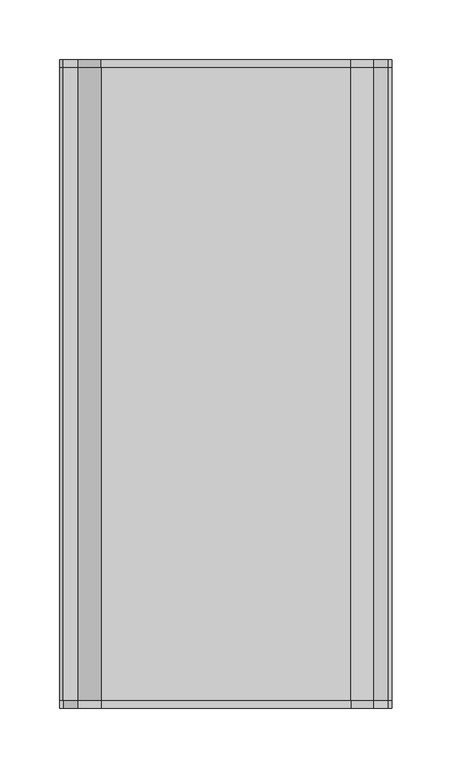
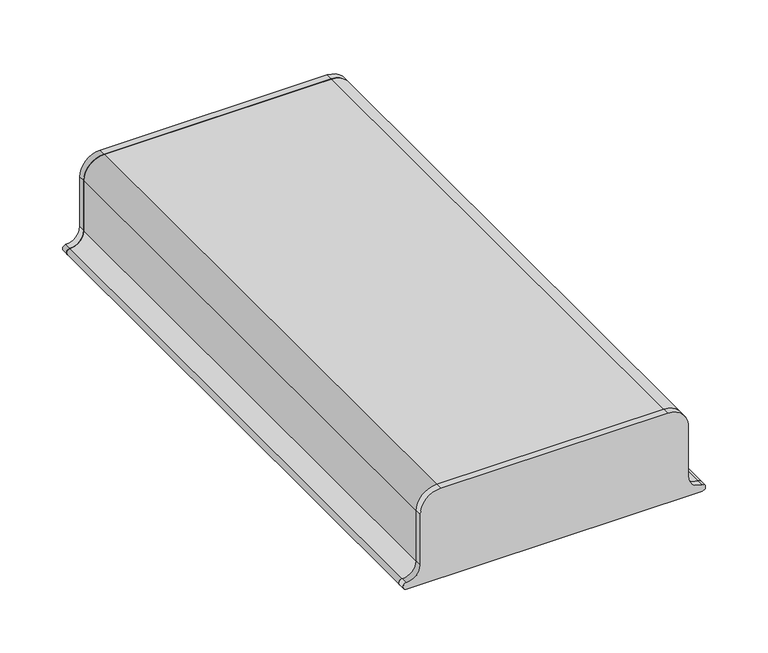
"""IFC4 building model written with IfcOpenShell, lengths in millimetres: proxy geometry."""

from ifc_helpers import new_model, si_unit, point, frame, frame_2d, origin, place, context, project, spatial, polyline, circle_curve, trimmed, segment, composite_curve, outline, extrude, source, transform, mapped, element, save


def generic_models_a04609c9(model_context):
    return source(origin(), model_context, "Body", "SweptSolid", [
        extrude(outline(composite_curve([segment(trimmed(circle_curve(frame_2d((431.1687819, 235.6397011)), 12.7), [point((418.4687819, 235.6397011))], [point((431.1687819, 222.9397011))], True, "CARTESIAN"), True, "CONTINUOUS"), segment(polyline([(431.1687819, 222.9397011), (482.3425919, 222.9397011)]), True, "CONTINUOUS"), segment(trimmed(circle_curve(frame_2d((480.3119736, 203.9982362)), 19.05), [point((482.3425919, 222.9397011))], [point((499.3619736, 203.9982362))], False, "CARTESIAN"), True, "CONTINUOUS"), segment(polyline([(499.3619736, 203.9982362), (499.3619736, -5.6602989)]), True, "CONTINUOUS"), segment(trimmed(circle_curve(frame_2d((480.3119736, -5.6602989)), 19.05), [point((499.3619736, -5.6602989))], [point((480.3119736, -24.7102989))], False, "CARTESIAN"), True, "CONTINUOUS"), segment(polyline([(480.3119736, -24.7102989), (431.1687819, -24.7102989)]), True, "CONTINUOUS"), segment(trimmed(circle_curve(frame_2d((431.1687819, -37.4102989)), 12.7), [point((431.1687819, -24.7102989))], [point((418.4687819, -37.4102989))], True, "CARTESIAN"), True, "CONTINUOUS"), segment(trimmed(circle_curve(frame_2d((415.2937819, -37.4102989)), 3.175), [point((418.4687819, -37.4102989))], [point((412.1187819, -37.4102989))], False, "CARTESIAN"), True, "CONTINUOUS"), segment(polyline([(412.1187819, -37.4102989), (412.1187819, 235.6397011)]), True, "CONTINUOUS"), segment(trimmed(circle_curve(frame_2d((415.2937819, 235.6397011)), 3.175), [point((412.1187819, 235.6397011))], [point((418.4687819, 235.6397011))], False, "CARTESIAN"), True, "CONTINUOUS")], self_intersect=False)), frame((0.0, -272.25625, 0.0), z_axis=(0.0, 1.0, 0.0), x_axis=(0.0, 0.0, 1.0)), (0.0, 0.0, 1.0), 6.35),
        extrude(outline(composite_curve([segment(trimmed(circle_curve(frame_2d((431.1687819, -37.4102989)), 12.7), [point((431.1687819, -24.7102989))], [point((418.4687819, -37.4102989))], True, "CARTESIAN"), True, "CONTINUOUS"), segment(trimmed(circle_curve(frame_2d((415.2937819, -37.4102989)), 3.175), [point((418.4687819, -37.4102989))], [point((412.1187819, -37.4102989))], False, "CARTESIAN"), True, "CONTINUOUS"), segment(polyline([(412.1187819, -37.4102989), (412.1187819, 235.6397011)]), True, "CONTINUOUS"), segment(trimmed(circle_curve(frame_2d((415.2937819, 235.6397011)), 3.175), [point((412.1187819, 235.6397011))], [point((418.4687819, 235.6397011))], False, "CARTESIAN"), True, "CONTINUOUS"), segment(trimmed(circle_curve(frame_2d((431.1687819, 235.6397011)), 12.7), [point((418.4687819, 235.6397011))], [point((431.1687819, 222.9397011))], True, "CARTESIAN"), True, "CONTINUOUS"), segment(polyline([(431.1687819, 222.9397011), (482.3425919, 222.9397011)]), True, "CONTINUOUS"), segment(trimmed(circle_curve(frame_2d((480.3119736, 203.9982362)), 19.05), [point((482.3425919, 222.9397011))], [point((499.3619736, 203.9982362))], False, "CARTESIAN"), True, "CONTINUOUS"), segment(polyline([(499.3619736, 203.9982362), (499.3619736, -5.6602989)]), True, "CONTINUOUS"), segment(trimmed(circle_curve(frame_2d((480.3119736, -5.6602989)), 19.05), [point((499.3619736, -5.6602989))], [point((480.3119736, -24.7102989))], False, "CARTESIAN"), True, "CONTINUOUS"), segment(polyline([(480.3119736, -24.7102989), (431.1687819, -24.7102989)]), True, "CONTINUOUS")], self_intersect=False)), frame((0.0, 265.90625, 0.0), z_axis=(0.0, 1.0, 0.0), x_axis=(0.0, 0.0, 1.0)), (0.0, 0.0, 1.0), 6.35),
        extrude(outline(composite_curve([segment(trimmed(circle_curve(frame_2d((480.3119736, -5.6602989)), 19.05), [point((499.3619736, -5.6602989))], [point((480.3119736, -24.7102989))], False, "CARTESIAN"), True, "CONTINUOUS"), segment(polyline([(480.3119736, -24.7102989), (431.1687819, -24.7102989)]), True, "CONTINUOUS"), segment(trimmed(circle_curve(frame_2d((431.1687819, -37.4102989)), 12.7), [point((431.1687819, -24.7102989))], [point((418.4687819, -37.4102989))], True, "CARTESIAN"), True, "CONTINUOUS"), segment(trimmed(circle_curve(frame_2d((415.2937819, -37.4102989)), 3.175), [point((418.4687819, -37.4102989))], [point((412.1187819, -37.4102989))], False, "CARTESIAN"), True, "CONTINUOUS"), segment(trimmed(circle_curve(frame_2d((431.1687819, -37.4102989)), 19.05), [point((412.1187819, -37.4102989))], [point((431.1687819, -18.3602989))], False, "CARTESIAN"), True, "CONTINUOUS"), segment(polyline([(431.1687819, -18.3602989), (480.3119736, -18.3602989)]), True, "CONTINUOUS"), segment(trimmed(circle_curve(frame_2d((480.3119736, -5.6602989)), 12.7), [point((480.3119736, -18.3602989))], [point((493.0119736, -5.6602989))], True, "CARTESIAN"), True, "CONTINUOUS"), segment(polyline([(493.0119736, -5.6602989), (493.0119736, 203.9982362)]), True, "CONTINUOUS"), segment(trimmed(circle_curve(frame_2d((480.3119736, 203.9982362)), 12.7), [point((493.0119736, 203.9982362))], [point((481.9687819, 216.5897011))], True, "CARTESIAN"), True, "CONTINUOUS"), segment(polyline([(481.9687819, 216.5897011), (431.1687819, 216.5897011)]), True, "CONTINUOUS"), segment(trimmed(circle_curve(frame_2d((431.1687819, 235.6397011)), 19.05), [point((431.1687819, 216.5897011))], [point((412.1187819, 235.6397011))], False, "CARTESIAN"), True, "CONTINUOUS"), segment(trimmed(circle_curve(frame_2d((415.2937819, 235.6397011)), 3.175), [point((412.1187819, 235.6397011))], [point((418.4687819, 235.6397011))], False, "CARTESIAN"), True, "CONTINUOUS"), segment(trimmed(circle_curve(frame_2d((431.1687819, 235.6397011)), 12.7), [point((418.4687819, 235.6397011))], [point((431.1687819, 222.9397011))], True, "CARTESIAN"), True, "CONTINUOUS"), segment(polyline([(431.1687819, 222.9397011), (482.3425919, 222.9397011)]), True, "CONTINUOUS"), segment(trimmed(circle_curve(frame_2d((480.3119736, 203.9982362)), 19.05), [point((482.3425919, 222.9397011))], [point((499.3619736, 203.9982362))], False, "CARTESIAN"), True, "CONTINUOUS"), segment(polyline([(499.3619736, 203.9982362), (499.3619736, -5.6602989)]), True, "CONTINUOUS")], self_intersect=False)), frame((0.0, -265.90625, 0.0), z_axis=(0.0, 1.0, 0.0), x_axis=(0.0, 0.0, 1.0)), (0.0, 0.0, 1.0), 531.8125),
    ])


if __name__ == "__main__":
    model = new_model("IFC4")
    model_context = context("Model", 3, world=origin())
    ifc_project = project(units=[si_unit("LENGTHUNIT", "METRE", prefix="MILLI")], contexts=[model_context])
    site = spatial("IfcSite", under=ifc_project)
    building = spatial("IfcBuilding", under=site)
    placement = place(None, origin())
    generic_models_shape = generic_models_a04609c9(model_context)
    element("IfcBuildingElementProxy", 1, Name="Generic Models", at=placement, inside=building, context=model_context, shape_type="MappedRepresentation", body=[
        mapped(generic_models_shape, transform((0.0, 0.0, 0.0), x_axis=(1.0, 0.0, 0.0), y_axis=(0.0, 1.0, 0.0), z_axis=(0.0, 0.0, 1.0))),
    ])
    save(model, "model.ifc")
